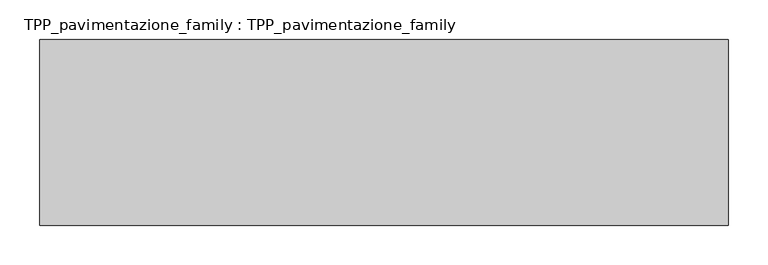
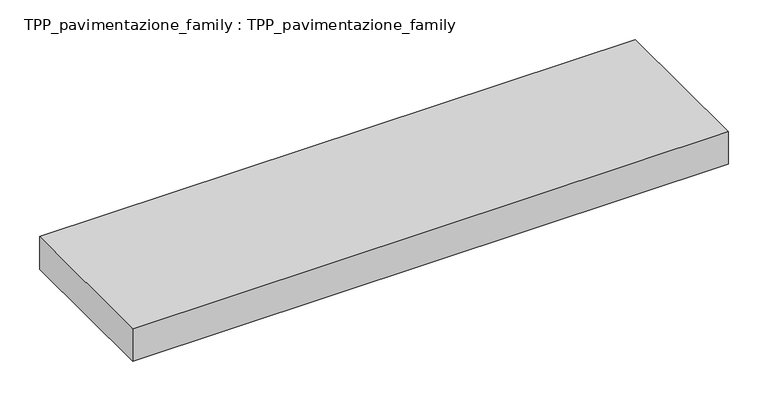
"""IFC4 building model written with IfcOpenShell, lengths in millimetres: proxy geometry, TPP_pavimentazione_family : TPP_pavimentazione_family."""

import ifcopenshell
import ifcopenshell.guid

model = None  # the IFC model being written
_history = None  # IfcOwnerHistory: only IFC2X3 demands one
_inside = {}  # id of a spatial element -> (the spatial element, [elements in it])
_under = {}  # id of a project, library or spatial element -> (it, [spatial elements below it])
_declared = {}  # id of a project -> (the project, [libraries it declares])
_typed = {}  # id of a type object -> (the type object, [elements of that type])
_made_of = {}  # id of a material, layer set ... -> (it, [elements and type objects made of it])


def new_model(schema):
    """Start an empty IFC model of exactly this schema.

    Asked for "IFC4X3", IfcOpenShell would pick the latest addendum, in which some entities
    have other attributes; the version numbers below select the first issue.
    IFC2X3 requires an IfcOwnerHistory on every rooted entity: one is made here for all.
    """
    global model, _history
    if schema == "IFC4X3":
        model = ifcopenshell.file(schema_version=(4, 3, 0, 0))
    else:
        model = ifcopenshell.file(schema=schema)
    _inside.clear()
    _under.clear()
    _declared.clear()
    _typed.clear()
    _made_of.clear()
    _history = None
    if model.schema == "IFC2X3":
        org = make("IfcOrganization", Name="unknown")
        user = make(
            "IfcPersonAndOrganization",
            ThePerson=make("IfcPerson", FamilyName="unknown"),
            TheOrganization=org,
        )
        app = make(
            "IfcApplication",
            ApplicationDeveloper=org,
            Version="unknown",
            ApplicationFullName="unknown",
            ApplicationIdentifier="unknown",
        )
        _history = make(
            "IfcOwnerHistory",
            OwningUser=user,
            OwningApplication=app,
            ChangeAction="ADDED",
            CreationDate=0,
        )
    return model


def make(cls, **values):
    """One entity of the class cls with the attributes given. An attribute that is None is left unset."""
    return model.create_entity(
        cls, **{name: value for name, value in values.items() if value is not None}
    )


def rooted(cls, **values):
    """An entity with a GlobalId (a new one), such as an element, a storey or a relation."""
    return make(cls, GlobalId=ifcopenshell.guid.new(), OwnerHistory=_history, **values)


def si_unit(unit_type, name, prefix=None):
    """IfcSIUnit, for example si_unit("LENGTHUNIT", "METRE", prefix="MILLI")."""
    return make("IfcSIUnit", UnitType=unit_type, Prefix=prefix, Name=name)


def assignment(units):
    """IfcUnitAssignment: the units of a project."""
    return None if units is None else make("IfcUnitAssignment", Units=units)


def point(xyz):
    """IfcCartesianPoint."""
    return None if xyz is None else make("IfcCartesianPoint", Coordinates=xyz)


def direction(xyz):
    """IfcDirection."""
    return None if xyz is None else make("IfcDirection", DirectionRatios=xyz)


def frame(location, z_axis=None, x_axis=None):
    """IfcAxis2Placement3D, a coordinate frame: its origin and axes. An axis left out is left unset."""
    return make(
        "IfcAxis2Placement3D",
        Location=point(location),
        Axis=direction(z_axis),
        RefDirection=direction(x_axis),
    )


def origin():
    """The frame at (0, 0, 0) with its axes left unset."""
    return frame((0.0, 0.0, 0.0))


def origin_with_axes():
    """The frame at (0, 0, 0) with the z axis (0, 0, 1) and the x axis (1, 0, 0) written out."""
    return frame((0.0, 0.0, 0.0), z_axis=(0.0, 0.0, 1.0), x_axis=(1.0, 0.0, 0.0))


def place(relative_to, where):
    """IfcLocalPlacement: puts the frame where relative to a parent placement (None: the world)."""
    return make(
        "IfcLocalPlacement", PlacementRelTo=relative_to, RelativePlacement=where
    )


def context(
    kind, dimensions, precision=None, world=None, true_north=None, identifier=None
):
    """IfcGeometricRepresentationContext, for example the 3D "Model" context."""
    return make(
        "IfcGeometricRepresentationContext",
        ContextIdentifier=identifier,
        ContextType=kind,
        CoordinateSpaceDimension=dimensions,
        Precision=precision,
        WorldCoordinateSystem=world,
        TrueNorth=true_north,
    )


def project(units=None, contexts=None):
    """IfcProject with its units and contexts."""
    return rooted(
        "IfcProject",
        Name="project",
        RepresentationContexts=contexts,
        UnitsInContext=assignment(units),
    )


def spatial(cls, under=None, at=None, **own):
    """A site, building, storey or space (cls), placed at a placement, below another one or the project."""
    s = rooted(cls, ObjectPlacement=at, **own)
    if under is not None:
        _under.setdefault(under.id(), (under, []))[1].append(s)
    return s


def polyline(points):
    """IfcPolyline through the points."""
    return make("IfcPolyline", Points=[point(p) for p in points])


def outline(outer, holes=None, kind="AREA"):
    """IfcArbitraryClosedProfileDef: a profile drawn as a closed curve; with holes, ...WithVoids."""
    if holes is None:
        return make("IfcArbitraryClosedProfileDef", ProfileType=kind, OuterCurve=outer)
    return make(
        "IfcArbitraryProfileDefWithVoids",
        ProfileType=kind,
        OuterCurve=outer,
        InnerCurves=holes,
    )


def extrude(swept, where, along, depth):
    """IfcExtrudedAreaSolid: the profile swept, set in the frame where, extruded along a direction by depth."""
    return make(
        "IfcExtrudedAreaSolid",
        SweptArea=swept,
        Position=where,
        ExtrudedDirection=direction(along),
        Depth=depth,
    )


def shape(context_of_items, identifier, shape_type, items):
    """IfcShapeRepresentation: the items that make up one representation, for example the "Body"."""
    return make(
        "IfcShapeRepresentation",
        ContextOfItems=context_of_items,
        RepresentationIdentifier=identifier,
        RepresentationType=shape_type,
        Items=items,
    )


def source(mapping_origin, context_of_items, identifier, shape_type, items):
    """IfcRepresentationMap: a shape defined once, which mapped items show again and again."""
    return make(
        "IfcRepresentationMap",
        MappingOrigin=mapping_origin,
        MappedRepresentation=shape(context_of_items, identifier, shape_type, items),
    )


def transform(
    local_origin,
    x_axis=None,
    y_axis=None,
    z_axis=None,
    scale=None,
    scale2=None,
    scale3=None,
    uniform=True,
):
    """IfcCartesianTransformationOperator3D, or its non-uniform kind. x_axis, y_axis, z_axis: its Axis1, 2, 3."""
    if uniform:
        return make(
            "IfcCartesianTransformationOperator3D",
            Axis1=direction(x_axis),
            Axis2=direction(y_axis),
            LocalOrigin=point(local_origin),
            Scale=scale,
            Axis3=direction(z_axis),
        )
    return make(
        "IfcCartesianTransformationOperator3DnonUniform",
        Axis1=direction(x_axis),
        Axis2=direction(y_axis),
        LocalOrigin=point(local_origin),
        Scale=scale,
        Axis3=direction(z_axis),
        Scale2=scale2,
        Scale3=scale3,
    )


def mapped(mapping_source, mapping_target):
    """IfcMappedItem: shows the shape of a source again, moved by a transform."""
    return make(
        "IfcMappedItem", MappingSource=mapping_source, MappingTarget=mapping_target
    )


def made_of(thing, what):
    """Note that an element or type object is made of a material, layer set ...; save() writes the relation."""
    if what is not None:
        _made_of.setdefault(what.id(), (what, []))[1].append(thing)
    return thing


def element(
    cls,
    number,
    at=None,
    inside=None,
    cuts=None,
    type_object=None,
    material=None,
    context=None,
    identifier="Body",
    shape_type=None,
    held_by="IfcProductDefinitionShape",
    body=None,
    shapes=None,
    **own,
):
    """One element of the class cls, such as IfcWall. Its Tag is "e" and its number.

    at: its placement. inside: the storey or other place that contains it. cuts: it is an
    opening in that element (IfcRelVoidsElement). A single representation is given by context,
    identifier, shape_type and body (its items); several are given by shapes. held_by: the class
    of the entity that holds the representations. save() writes the other relations.
    """
    e = rooted(cls, Tag="e%d" % number, ObjectPlacement=at, **own)
    if body is not None:
        shapes = [shape(context, identifier, shape_type, body)]
    if shapes is not None:
        e.Representation = make(held_by, Representations=shapes)
    if inside is not None:
        _inside.setdefault(inside.id(), (inside, []))[1].append(e)
    if cuts is not None:
        rooted(
            "IfcRelVoidsElement", RelatingBuildingElement=cuts, RelatedOpeningElement=e
        )
    if type_object is not None:
        _typed.setdefault(type_object.id(), (type_object, []))[1].append(e)
    return made_of(e, material)


def aggregate(whole, parts):
    """IfcRelAggregates: a whole, such as a stair, and the parts it consists of."""
    return rooted("IfcRelAggregates", RelatingObject=whole, RelatedObjects=parts)


def save(model, path):
    """Write the relations noted so far, then the file.

    IfcRelAggregates (storeys below a building ...), IfcRelContainedInSpatialStructure (elements
    in a storey), IfcRelDefinesByType, IfcRelAssociatesMaterial and IfcRelDeclares: one each for
    every whole, place, type object, material and project.
    """
    for whole, parts in _under.values():
        aggregate(whole, parts)
    for where, things in _inside.values():
        rooted(
            "IfcRelContainedInSpatialStructure",
            RelatedElements=things,
            RelatingStructure=where,
        )
    for kind, things in _typed.values():
        rooted("IfcRelDefinesByType", RelatedObjects=things, RelatingType=kind)
    for what, things in _made_of.values():
        rooted("IfcRelAssociatesMaterial", RelatedObjects=things, RelatingMaterial=what)
    for by, libraries in _declared.values():
        rooted("IfcRelDeclares", RelatingContext=by, RelatedDefinitions=libraries)
    model.write(path)


def tpp_pavimentazione_family_tpp_pavimentazione_family_3eeca59d(model_context):
    return source(origin(), model_context, "Body", "SweptSolid", [
        extrude(outline(polyline([(511.8146187, 354.2201026), (511.8146187, 120.3305645), (-354.6616534, 120.3305645), (-354.6616534, 354.2201026), (511.8146187, 354.2201026)])), origin_with_axes(), (0.0, 0.0, 1.0), 50.0),
    ])


if __name__ == "__main__":
    model = new_model("IFC4")
    model_context = context("Model", 3, world=origin())
    ifc_project = project(units=[si_unit("LENGTHUNIT", "METRE", prefix="MILLI")], contexts=[model_context])
    site = spatial("IfcSite", under=ifc_project)
    building = spatial("IfcBuilding", under=site)
    placement = place(None, origin())
    tpp_pavimentazione_family_tpp_pavimentazione_family_shape = tpp_pavimentazione_family_tpp_pavimentazione_family_3eeca59d(model_context)
    element("IfcBuildingElementProxy", 1, Name="TPP_pavimentazione_family : TPP_pavimentazione_family", ObjectType="TPP_pavimentazione_family : TPP_pavimentazione_family", at=placement, inside=building, context=model_context, shape_type="MappedRepresentation", body=[
        mapped(tpp_pavimentazione_family_tpp_pavimentazione_family_shape, transform((0.0, 0.0, 0.0), x_axis=(1.0, 0.0, 0.0), y_axis=(0.0, 1.0, 0.0), z_axis=(0.0, 0.0, 1.0))),
    ])
    save(model, "model.ifc")
